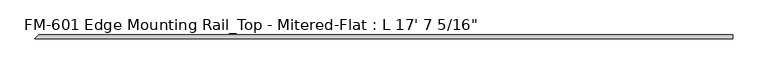
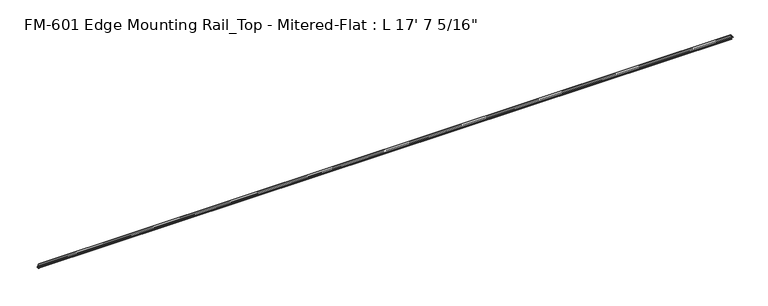
"""IFC4 building model written with IfcOpenShell, lengths in millimetres: proxy geometry."""

from ifc_helpers import new_model, si_unit, frame, origin, place, context, project, spatial, polyline, circle_curve, ellipse_curve, source, transform, mapped, element, save
from ifc_brep_helpers import plane_surface, cylinder_surface, revolved_surface, advanced_brep


def proxy_025f5741(model_context):
    return source(origin(), model_context, "Body", "AdvancedBrep", [
        advanced_brep(
        [(5367.3375, 13.6400687, -32.1158903), (5367.3375, 15.4750158, -32.6885982), (5367.3375, 16.1549378, -32.2686835), (5367.3375, 16.1549378, -30.7270734), (5367.3375, 17.7424378, -29.1395734), (5367.3375, 19.05, -29.1395734), (5367.3375, 19.05, 0.0), (5367.3375, -9.4970359, 0.0), (5367.3375, -9.4970359, -1.5873909), (5367.3375, -5.6266278, -1.5873909), (5367.3375, -2.4770278, -1.5873909), (5367.3375, 2.0200702, -1.5873909), (5367.3375, 5.1950152, -1.6006758), (5367.3375, 15.5573314, -1.6102595), (5367.3375, 17.4625, -3.5152595), (5367.3375, 17.4625, -12.4909614), (5367.3375, 17.9716639, -13.408381), (5367.3375, 17.9716639, -14.7485418), (5367.3375, 17.4625, -15.6659614), (5367.3375, 17.4625, -26.8535734), (5367.3375, 16.9376166, -27.3612928), (5367.3375, 16.1779173, -26.4138515), (5367.3375, 15.4364113, -25.7360779), (5367.3375, 13.6400687, -26.2967369), (5367.3375, 11.9462301, -30.7938136), (23.1371047, 13.6400687, -32.1158903), (24.9720517, 15.4750158, -32.6885982), (25.6519738, 16.1549378, -32.2686835), (25.6519738, 16.1549378, -30.7270734), (27.2394738, 17.7424378, -29.1395734), (28.5470359, 19.05, -29.1395734), (28.5470359, 19.05, 0.0), (0.0, -9.4970359, 0.0), (25.0543673, 15.5573314, -1.6102595), (26.9595359, 17.4625, -3.5152595), (26.9595359, 17.4625, -12.4909614), (27.4686998, 17.9716639, -13.408381), (27.4686998, 17.9716639, -14.7485418), (26.9595359, 17.4625, -15.6659614), (26.9595359, 17.4625, -26.8535734), (26.4346526, 16.9376166, -27.3612928), (25.6749532, 16.1779173, -26.4138515), (24.9334472, 15.4364113, -25.7360779), (23.1371047, 13.6400687, -26.2967369), (21.443266, 11.9462301, -30.7938136), (11.5171061, 2.0200702, -1.5873909), (14.6920512, 5.1950152, -1.6006758), (7.0200081, -2.4770278, -1.5873909), (3.8704081, -5.6266278, -1.5873909), (0.0, -9.4970359, -1.5873909)],
        [
            (0, 1),
            (1, 2, circle_curve(frame((5367.3375, 15.6853088, -32.2686835), z_axis=(1.0, 0.0, 0.0), x_axis=(0.0, -1.0, 0.0)), 0.4696291)),
            (2, 3),
            (3, 4, circle_curve(frame((5367.3375, 17.7424378, -30.7270734), z_axis=(-1.0, 0.0, 0.0), x_axis=(0.0, -1.0, 0.0)), 1.5875)),
            (4, 5),
            (5, 6),
            (6, 7),
            (7, 8),
            (8, 9),
            (9, 10, circle_curve(frame((5367.3375, -4.0518278, -1.5873909), z_axis=(1.0, 0.0, 0.0), x_axis=(0.0, -1.0, 0.0)), 1.5748)),
            (10, 11),
            (11, 12, circle_curve(frame((5367.3375, 3.6075705, -1.5873909), z_axis=(1.0, 0.0, 0.0), x_axis=(0.0, -1.0, 0.0)), 1.5875003)),
            (12, 13),
            (13, 14, circle_curve(frame((5367.3375, 15.5575, -3.5152595), z_axis=(-1.0, 0.0, 0.0), x_axis=(0.0, -1.0, 0.0)), 1.905)),
            (14, 15),
            (15, 16),
            (16, 17),
            (17, 18),
            (18, 19),
            (19, 20, circle_curve(frame((5367.3375, 16.9545, -26.8535734), z_axis=(-1.0, 0.0, 0.0), x_axis=(0.0, -1.0, 0.0)), 0.508)),
            (20, 21, circle_curve(frame((5367.3375, 16.9169378, -26.5995734), z_axis=(-1.0, 0.0, 0.0), x_axis=(0.0, -1.0, 0.0)), 0.762)),
            (21, 22, circle_curve(frame((5367.3375, 15.6245238, -26.2747792), z_axis=(1.0, 0.0, 0.0), x_axis=(0.0, -1.0, 0.0)), 0.5706009)),
            (22, 23),
            (23, 24, circle_curve(frame((5367.3375, 14.5481808, -29.2063136), z_axis=(1.0, 0.0, 0.0), x_axis=(0.0, -1.0, 0.0)), 3.048)),
            (24, 0, circle_curve(frame((5367.3375, 14.5481808, -29.2063136), z_axis=(1.0, 0.0, 0.0), x_axis=(0.0, -1.0, 0.0)), 3.048)),
            (0, 25),
            (25, 26),
            (26, 1),
            (26, 27, ellipse_curve(frame((25.1823447, 15.6853088, -32.2686835), z_axis=(0.7071067811863617, -0.7071067811867334, 0.0), x_axis=(-0.7071067811867332, -0.7071067811863618, 0.0)), 0.6641558, 0.4696291)),
            (27, 2),
            (27, 28),
            (28, 3),
            (28, 29, ellipse_curve(frame((27.2394738, 17.7424378, -30.7270734), z_axis=(-0.7071067811863617, 0.7071067811867334, 0.0), x_axis=(0.7071067811867332, 0.7071067811863618, 0.0)), 2.245064, 1.5875)),
            (29, 4),
            (29, 30),
            (30, 5),
            (30, 31),
            (31, 6),
            (31, 32),
            (32, 7),
            (13, 33),
            (33, 34, ellipse_curve(frame((25.0545359, 15.5575, -3.5152595), z_axis=(-0.7071067811863617, 0.7071067811867334, 0.0), x_axis=(0.7071067811867332, 0.7071067811863618, 0.0)), 2.6940768, 1.905)),
            (34, 14),
            (34, 35),
            (35, 15),
            (35, 36),
            (36, 16),
            (36, 37),
            (37, 17),
            (37, 38),
            (38, 18),
            (38, 39),
            (39, 19),
            (39, 40, ellipse_curve(frame((26.4515359, 16.9545, -26.8535734), z_axis=(-0.7071067811863617, 0.7071067811867334, 0.0), x_axis=(0.7071067811867332, 0.7071067811863618, 0.0)), 0.7184205, 0.508)),
            (40, 20),
            (40, 41, ellipse_curve(frame((26.4139738, 16.9169378, -26.5995734), z_axis=(-0.7071067811863617, 0.7071067811867334, 0.0), x_axis=(0.7071067811867332, 0.7071067811863618, 0.0)), 1.0776307, 0.762)),
            (41, 21),
            (41, 42, ellipse_curve(frame((25.1215597, 15.6245238, -26.2747792), z_axis=(0.7071067811863617, -0.7071067811867334, 0.0), x_axis=(-0.7071067811867332, -0.7071067811863618, 0.0)), 0.8069516, 0.5706009)),
            (42, 22),
            (42, 43),
            (43, 23),
            (43, 44, ellipse_curve(frame((24.0452167, 14.5481808, -29.2063136), z_axis=(0.7071067811863617, -0.7071067811867334, 0.0), x_axis=(-0.7071067811867332, -0.7071067811863618, 0.0)), 4.3105229, 3.048)),
            (44, 24),
            (44, 25, ellipse_curve(frame((24.0452167, 14.5481808, -29.2063136), z_axis=(0.7071067811863617, -0.7071067811867334, 0.0), x_axis=(-0.7071067811867332, -0.7071067811863618, 0.0)), 4.3105229, 3.048)),
            (11, 45),
            (45, 46, ellipse_curve(frame((13.1046064, 3.6075705, -1.5873909), z_axis=(0.7071067811863617, -0.7071067811867334, 0.0), x_axis=(-0.7071067811867332, -0.7071067811863618, 0.0)), 2.2450645, 1.5875003)),
            (46, 12),
            (46, 33),
            (10, 47),
            (47, 45),
            (9, 48),
            (48, 47, ellipse_curve(frame((5.4452081, -4.0518278, -1.5873909), z_axis=(0.7071067811863617, -0.7071067811867334, 0.0), x_axis=(-0.7071067811867332, -0.7071067811863618, 0.0)), 2.2271035, 1.5748)),
            (8, 49),
            (49, 48),
            (32, 49),
        ],
        [
            plane_surface(frame((5367.3375, 11.5001808, -29.2063136), z_axis=(1.0, 0.0, 0.0), x_axis=(0.0, 0.0, -1.0))),
            plane_surface(frame((0.0, 15.4750158, -32.6885982), z_axis=(0.0, -0.2979370393092848, -0.9545855229405157), x_axis=(1.0, 0.0, 0.0))),
            cylinder_surface(frame((5367.3375, 15.6853088, -32.2686835), z_axis=(-1.0, 0.0, 0.0), x_axis=(0.0, -1.0, 0.0)), 0.4696291),
            plane_surface(frame((0.0, 16.1549378, -30.7270734), z_axis=(0.0, 1.0, 0.0), x_axis=(1.0, 0.0, 0.0))),
            revolved_surface(polyline([(5367.3375, 16.154937800000003, -30.7270734), (25.651973799999723, 16.154937800000003, -30.7270734)]), (5367.3375, 17.7424378, -30.7270734), (1.0, 0.0, 0.0)),
            plane_surface(frame((0.0, 19.05, -29.1395734), z_axis=(0.0, 0.0, -1.0), x_axis=(1.0, 0.0, 0.0))),
            plane_surface(frame((0.0, 19.05, 0.0), z_axis=(0.0, 1.0, 0.0), x_axis=(1.0, 0.0, 0.0))),
            plane_surface(frame((0.0, -9.4970359, 0.0), z_axis=(0.0, 0.0, 1.0), x_axis=(1.0, 0.0, 0.0))),
            revolved_surface(polyline([(5367.3375, 13.6525, -3.5152595), (23.149535925682358, 13.6525, -3.5152595)]), (5367.3375, 15.5575, -3.5152595), (1.0, 0.0, 0.0)),
            plane_surface(frame((0.0, 17.4625, -12.4909614), z_axis=(0.0, -1.0, 0.0), x_axis=(1.0, 0.0, 0.0))),
            plane_surface(frame((0.0, 17.9716639, -13.408381), z_axis=(0.0, -0.8743650443659625, -0.48526875975165407), x_axis=(1.0, 0.0, 0.0))),
            plane_surface(frame((0.0, 17.9716639, -14.7485418), z_axis=(0.0, -1.0, 0.0), x_axis=(1.0, 0.0, 0.0))),
            plane_surface(frame((0.0, 17.4625, -15.6659614), z_axis=(0.0, -0.8743650443696195, 0.48526875974506484), x_axis=(1.0, 0.0, 0.0))),
            plane_surface(frame((0.0, 17.4625, -26.8535734), z_axis=(0.0, -1.0, 0.0), x_axis=(1.0, 0.0, 0.0))),
            revolved_surface(polyline([(5367.3375, 16.4465, -26.8535734), (25.943535892705768, 16.4465, -26.8535734)]), (5367.3375, 16.9545, -26.8535734), (1.0, 0.0, 0.0)),
            revolved_surface(polyline([(5367.3375, 16.1549378, -26.5995734), (25.65197382441511, 16.1549378, -26.5995734)]), (5367.3375, 16.9169378, -26.5995734), (1.0, 0.0, 0.0)),
            cylinder_surface(frame((5367.3375, 15.6245238, -26.2747792), z_axis=(-1.0, 0.0, 0.0), x_axis=(0.0, -1.0, 0.0)), 0.5706009),
            plane_surface(frame((0.0, 13.6400687, -26.2967369), z_axis=(0.0, -0.29793703931025856, 0.9545855229402118), x_axis=(1.0, 0.0, 0.0))),
            cylinder_surface(frame((5367.3375, 14.5481808, -29.2063136), z_axis=(-1.0, 0.0, 0.0), x_axis=(0.0, -1.0, 0.0)), 3.048),
            cylinder_surface(frame((5367.3375, 3.6075705, -1.5873909), z_axis=(-1.0, 0.0, 0.0), x_axis=(0.0, -1.0, 0.0)), 1.5875003),
            plane_surface(frame((0.0, 15.5573314, -1.6102595), z_axis=(0.0, -0.0009248633080168288, -0.9999995723138393), x_axis=(1.0, 0.0, 0.0))),
            plane_surface(frame((0.0, 2.0200702, -1.5873909), z_axis=(0.0, 0.0, -1.0), x_axis=(1.0, 0.0, 0.0))),
            cylinder_surface(frame((5367.3375, -4.0518278, -1.5873909), z_axis=(-1.0, 0.0, 0.0), x_axis=(0.0, -1.0, 0.0)), 1.5748),
            plane_surface(frame((0.0, -5.6266278, -1.5873909), z_axis=(0.0, 0.0, -1.0), x_axis=(1.0, 0.0, 0.0))),
            plane_surface(frame((0.0, -9.4970359, -1.5873909), z_axis=(0.0, -1.0, 0.0), x_axis=(1.0, 0.0, 0.0))),
            plane_surface(frame((0.0, -9.4970359, 0.0), z_axis=(-0.7071067811863617, 0.7071067811867334, 0.0), x_axis=(0.0, 0.0, -1.0))),
        ],
        [
            (0, [[1, 2, 3, 4, 5, 6, 7, 8, 9, 10, 11, 12, 13, 14, 15, 16, 17, 18, 19, 20, 21, 22, 23, 24, 25]]),
            (1, [[-1, 26, 27, 28]]),
            (2, [[-2, -28, 29, 30]]),
            (3, [[-3, -30, 31, 32]]),
            (4, [[-4, -32, 33, 34]]),
            (5, [[-5, -34, 35, 36]]),
            (6, [[-6, -36, 37, 38]]),
            (7, [[-7, -38, 39, 40]]),
            (8, [[-14, 41, 42, 43]]),
            (9, [[-15, -43, 44, 45]]),
            (10, [[-16, -45, 46, 47]]),
            (11, [[-17, -47, 48, 49]]),
            (12, [[-18, -49, 50, 51]]),
            (13, [[-19, -51, 52, 53]]),
            (14, [[-20, -53, 54, 55]]),
            (15, [[-21, -55, 56, 57]]),
            (16, [[-22, -57, 58, 59]]),
            (17, [[-23, -59, 60, 61]]),
            (18, [[-24, -61, 62, 63]]),
            (18, [[-25, -63, 64, -26]]),
            (19, [[-12, 65, 66, 67]]),
            (20, [[-13, -67, 68, -41]]),
            (21, [[-11, 69, 70, -65]]),
            (22, [[-10, 71, 72, -69]]),
            (23, [[-9, 73, 74, -71]]),
            (24, [[-8, -40, 75, -73]]),
            (25, [[-27, -64, -62, -60, -58, -56, -54, -52, -50, -48, -46, -44, -42, -68, -66, -70, -72, -74, -75, -39, -37, -35, -33, -31, -29]]),
        ],
    ),
    ])


if __name__ == "__main__":
    model = new_model("IFC4")
    model_context = context("Model", 3, world=origin())
    ifc_project = project(units=[si_unit("LENGTHUNIT", "METRE", prefix="MILLI")], contexts=[model_context])
    site = spatial("IfcSite", under=ifc_project)
    building = spatial("IfcBuilding", under=site)
    placement = place(None, origin())
    proxy_shape = proxy_025f5741(model_context)
    element("IfcBuildingElementProxy", 1, Name="FM-601 Edge Mounting Rail_Top - Mitered-Flat : L 17' 7 5/16\"", ObjectType="FM-601 Edge Mounting Rail_Top - Mitered-Flat : L 17' 7 5/16\"", at=placement, inside=building, context=model_context, shape_type="MappedRepresentation", body=[
        mapped(proxy_shape, transform((0.0, 0.0, 0.0), x_axis=(1.0, 0.0, 0.0), y_axis=(0.0, 1.0, 0.0), z_axis=(0.0, 0.0, 1.0))),
    ])
    save(model, "model.ifc")
